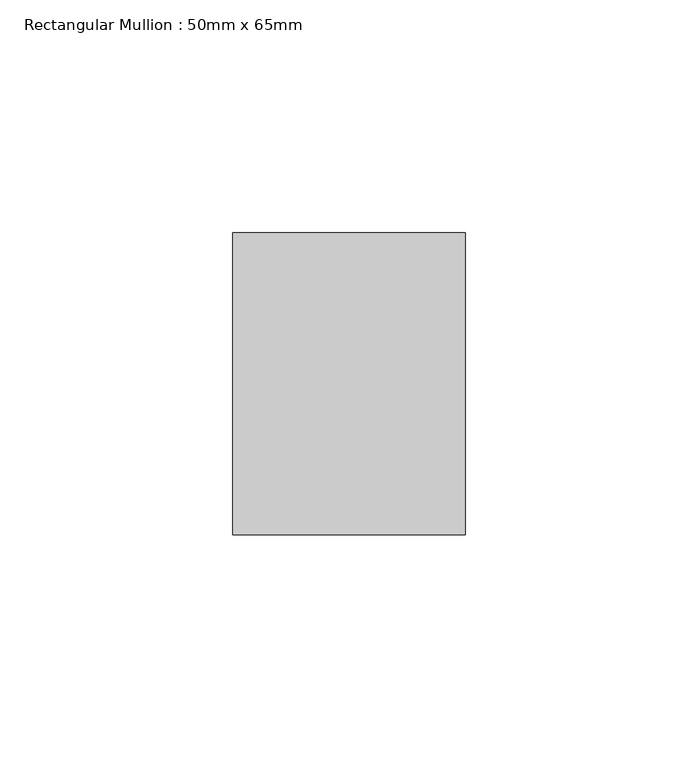
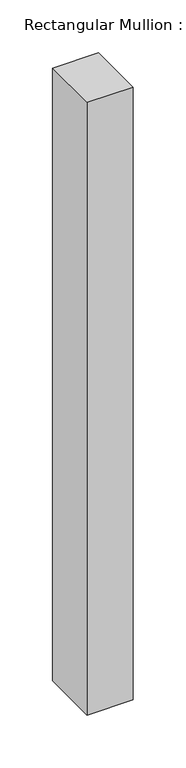
"""IFC4 building model written with IfcOpenShell, lengths in millimetres: member geometry, Rectangular Mullion : 50mm x 65mm."""

from ifc_helpers import new_model, si_unit, frame, origin, place, context, project, spatial, polyline, outline, extrude, source, transform, mapped, element, save


def rectangular_mullion_50mm_x_65mm_75590ccb(model_context):
    return source(origin(), model_context, "Body", "SweptSolid", [
        extrude(outline(polyline([(25.0, 32.5), (25.0, -32.5), (-25.0, -32.5), (-25.0, 32.5), (25.0, 32.5)])), frame((0.0, 0.0, -705.7728127), z_axis=(0.0, 0.0, 1.0), x_axis=(1.0, 0.0, 0.0)), (0.0, 0.0, 1.0), 705.7728127),
    ])


if __name__ == "__main__":
    model = new_model("IFC4")
    model_context = context("Model", 3, world=origin())
    ifc_project = project(units=[si_unit("LENGTHUNIT", "METRE", prefix="MILLI")], contexts=[model_context])
    site = spatial("IfcSite", under=ifc_project)
    building = spatial("IfcBuilding", under=site)
    placement = place(None, origin())
    rectangular_mullion_50mm_x_65mm_shape = rectangular_mullion_50mm_x_65mm_75590ccb(model_context)
    element("IfcMember", 1, ObjectType="Rectangular Mullion : 50mm x 65mm", at=placement, inside=building, context=model_context, shape_type="MappedRepresentation", body=[
        mapped(rectangular_mullion_50mm_x_65mm_shape, transform((0.0, 0.0, 0.0), x_axis=(1.0, 0.0, 0.0), y_axis=(0.0, 1.0, 0.0), z_axis=(0.0, 0.0, 1.0))),
    ])
    save(model, "model.ifc")
